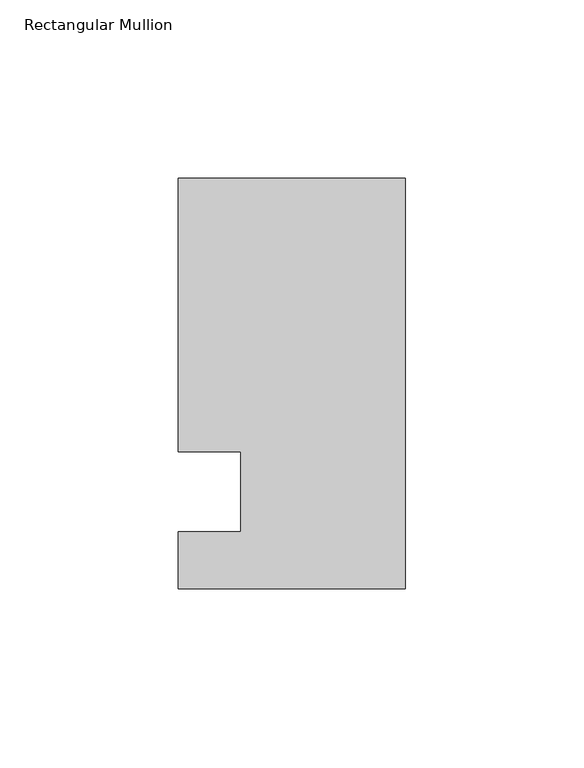
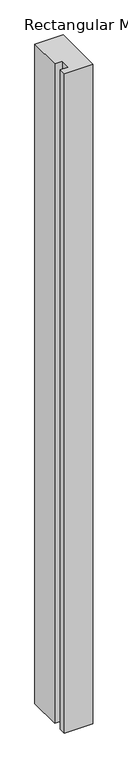
"""IFC4 building model written with IfcOpenShell, lengths in millimetres: member geometry, Rectangular Mullion."""

from ifc_helpers import new_model, si_unit, frame, origin, place, context, project, spatial, polyline, outline, extrude, source, transform, mapped, element, save


def rectangular_mullion_25a32fe0(model_context):
    return source(origin(), model_context, "Body", "SweptSolid", [
        extrude(outline(polyline([(-63.5, 114.5309813), (0.0, 114.5309813), (0.0, -0.3532188), (-63.5, -0.3532188), (-63.5, 15.5217812), (-46.0375, 15.5217812), (-46.0375, 38.0007812), (-63.5, 38.0007812), (-63.5, 114.5309813)])), frame((0.0, 0.0, -1563.1059921), z_axis=(0.0, 0.0, 1.0), x_axis=(1.0, 0.0, 0.0)), (0.0, 0.0, 1.0), 1563.1059921),
    ])


if __name__ == "__main__":
    model = new_model("IFC4")
    model_context = context("Model", 3, world=origin())
    ifc_project = project(units=[si_unit("LENGTHUNIT", "METRE", prefix="MILLI")], contexts=[model_context])
    site = spatial("IfcSite", under=ifc_project)
    building = spatial("IfcBuilding", under=site)
    placement = place(None, origin())
    rectangular_mullion_shape = rectangular_mullion_25a32fe0(model_context)
    element("IfcMember", 1, ObjectType="Rectangular Mullion", at=placement, inside=building, context=model_context, shape_type="MappedRepresentation", body=[
        mapped(rectangular_mullion_shape, transform((0.0, 0.0, 0.0), x_axis=(1.0, 0.0, 0.0), y_axis=(0.0, 1.0, 0.0), z_axis=(0.0, 0.0, 1.0))),
    ])
    save(model, "model.ifc")
